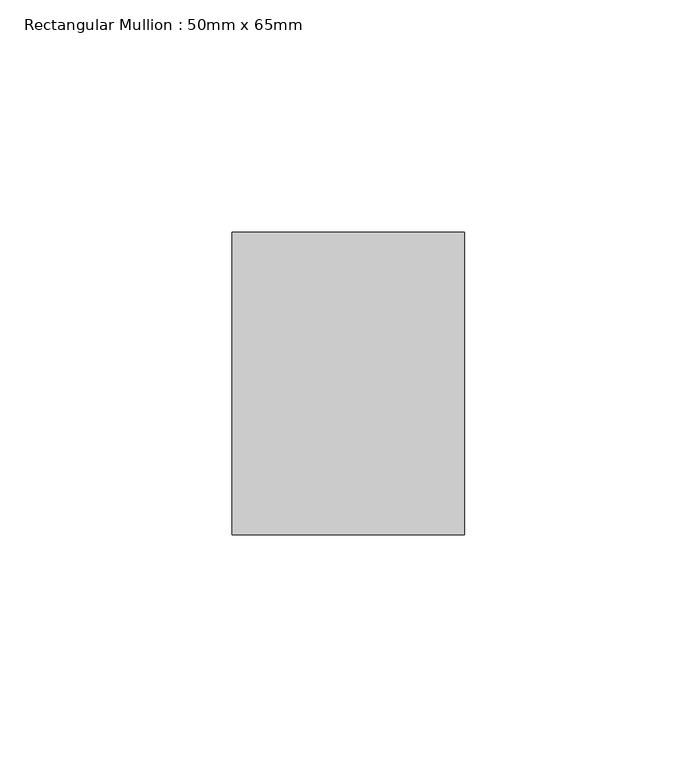
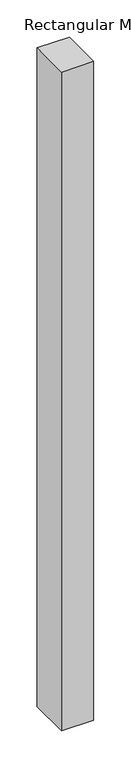
"""IFC4 building model written with IfcOpenShell, lengths in millimetres: member geometry, Rectangular Mullion : 50mm x 65mm."""

from ifc_helpers import new_model, si_unit, frame, origin, place, context, project, spatial, polyline, outline, extrude, source, transform, mapped, element, save


def rectangular_mullion_50mm_x_65mm_8207b7cb(model_context):
    return source(origin(), model_context, "Body", "SweptSolid", [
        extrude(outline(polyline([(25.0, 32.5), (25.0, -32.5), (-25.0, -32.5), (-25.0, 32.5), (25.0, 32.5)])), frame((0.0, 0.0, -1078.044723), z_axis=(0.0, 0.0, 1.0), x_axis=(1.0, 0.0, 0.0)), (0.0, 0.0, 1.0), 1078.044723),
    ])


if __name__ == "__main__":
    model = new_model("IFC4")
    model_context = context("Model", 3, world=origin())
    ifc_project = project(units=[si_unit("LENGTHUNIT", "METRE", prefix="MILLI")], contexts=[model_context])
    site = spatial("IfcSite", under=ifc_project)
    building = spatial("IfcBuilding", under=site)
    placement = place(None, origin())
    rectangular_mullion_50mm_x_65mm_shape = rectangular_mullion_50mm_x_65mm_8207b7cb(model_context)
    element("IfcMember", 1, ObjectType="Rectangular Mullion : 50mm x 65mm", at=placement, inside=building, context=model_context, shape_type="MappedRepresentation", body=[
        mapped(rectangular_mullion_50mm_x_65mm_shape, transform((0.0, 0.0, 0.0), x_axis=(1.0, 0.0, 0.0), y_axis=(0.0, 1.0, 0.0), z_axis=(0.0, 0.0, 1.0))),
    ])
    save(model, "model.ifc")
